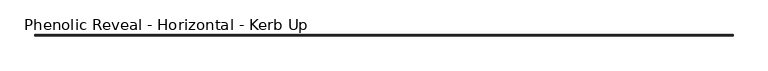
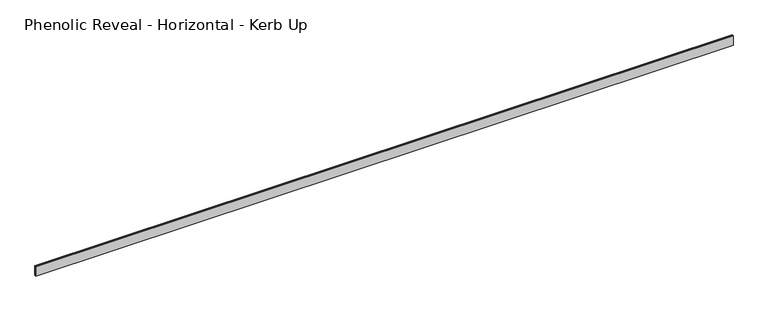
"""IFC4 building model written with IfcOpenShell, lengths in millimetres: proxy geometry, Phenolic Reveal - Horizontal - Kerb Up."""

from ifc_helpers import new_model, si_unit, origin, place, context, project, spatial, faceted_brep, source, transform, mapped, element, save


def phenolic_reveal_horizontal_kerb_up_a86a65cf(model_context):
    return source(origin(), model_context, "Body", "Brep", [
        faceted_brep([(5308.6, 9.525, 0.0), (5308.6, 9.525, 76.2), (5308.6, 6.0765851, 76.2), (5308.6, 6.0765851, 0.0), (5308.6, 3.3757545, 0.0), (5308.6, 3.3757545, 76.2), (5308.6, 0.0, 76.2), (5308.6, 0.0, 0.0), (0.0, 0.0, 0.0), (0.0, 0.0, 76.2), (0.0, 3.3757545, 76.2), (0.0, 3.3757545, 0.0), (0.0, 6.0765851, 0.0), (0.0, 6.0765851, 76.2), (0.0, 9.525, 76.2), (0.0, 9.525, 0.0), (5297.4875, 6.0765851, 0.0), (5297.4875, 3.3757545, 0.0), (11.1125, 3.3757545, 0.0), (11.1125, 6.0765851, 0.0), (5297.4875, 6.0765851, 65.0875), (5297.4875, 3.3757545, 65.0875), (11.1125, 6.0765851, 65.0875), (11.1125, 3.3757545, 65.0875)], [[[0, 1, 2, 3]], [[4, 5, 6, 7]], [[8, 9, 10, 11]], [[12, 13, 14, 15]], [[1, 0, 15, 14]], [[6, 5, 10, 9]], [[7, 6, 9, 8]], [[15, 0, 3, 16, 17, 4, 7, 8, 11, 18, 19, 12]], [[16, 20, 21, 17]], [[22, 19, 18, 23]], [[13, 2, 1, 14]], [[12, 19, 22, 20, 16, 3, 2, 13]], [[20, 22, 23, 21]], [[4, 17, 21, 23, 18, 11, 10, 5]]]),
    ])


if __name__ == "__main__":
    model = new_model("IFC4")
    model_context = context("Model", 3, world=origin())
    ifc_project = project(units=[si_unit("LENGTHUNIT", "METRE", prefix="MILLI")], contexts=[model_context])
    site = spatial("IfcSite", under=ifc_project)
    building = spatial("IfcBuilding", under=site)
    placement = place(None, origin())
    phenolic_reveal_horizontal_kerb_up_shape = phenolic_reveal_horizontal_kerb_up_a86a65cf(model_context)
    element("IfcBuildingElementProxy", 1, Name="Phenolic Reveal - Horizontal - Kerb Up", ObjectType="Phenolic Reveal - Horizontal - Kerb Up", at=placement, inside=building, context=model_context, shape_type="MappedRepresentation", body=[
        mapped(phenolic_reveal_horizontal_kerb_up_shape, transform((0.0, 0.0, 0.0), x_axis=(1.0, 0.0, 0.0), y_axis=(0.0, 1.0, 0.0), z_axis=(0.0, 0.0, 1.0))),
    ])
    save(model, "model.ifc")
